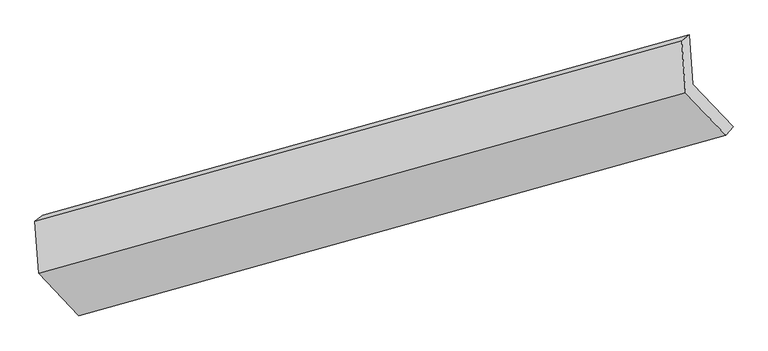
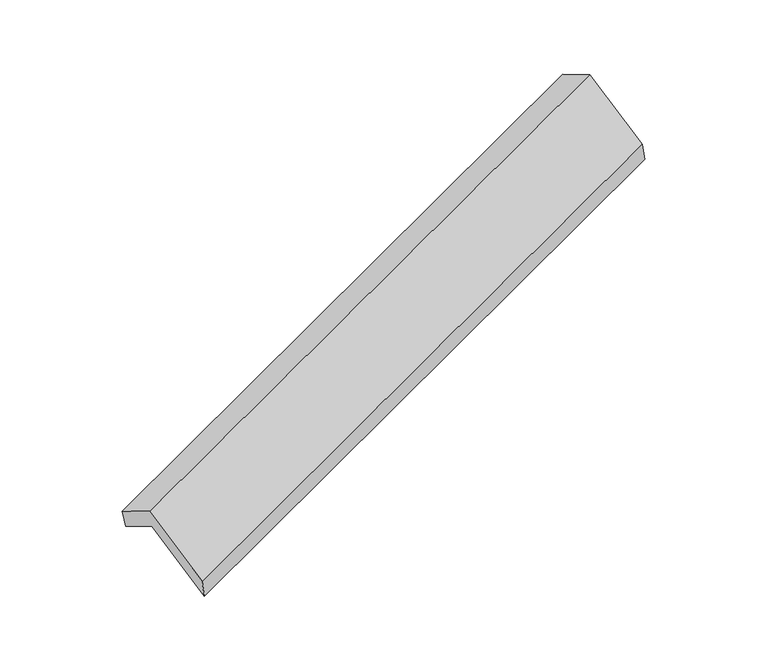
"""IFC4 building model written with IfcOpenShell, lengths in millimetres: proxy geometry."""

from ifc_helpers import new_model, si_unit, origin, place, context, project, spatial, faceted_brep, source, transform, mapped, element, save


def generic_models_ff62e24f(model_context):
    return source(origin(), model_context, "Body", "Brep", [
        faceted_brep([(-5103.9067247, -2106.4409909, 1291.1216952), (-5127.8347966, -1772.1610768, 1098.7592992), (-756.1101301, -552.2743021, 2674.8298341), (-732.1820583, -886.5542163, 2867.1922301), (-5179.5241666, -1810.0280257, 1272.3600553), (-807.7995002, -590.1412511, 2848.4305902), (-5154.3576396, -2161.6094049, 1474.6786322), (-782.6329731, -941.7226303, 3050.7491671), (-4883.0585839, -2449.4554224, 940.7239331), (-511.3339174, -1229.5686477, 2516.794468), (-4832.607669, -2394.2870084, 757.1669962), (-460.8830026, -1174.4002338, 2333.2375311)], [[[0, 1, 2, 3]], [[1, 4, 5, 2]], [[4, 6, 7, 5]], [[6, 8, 9, 7]], [[8, 10, 11, 9]], [[10, 0, 3, 11]], [[9, 11, 3, 2, 5, 7]], [[0, 10, 8, 6, 4, 1]]]),
    ])


if __name__ == "__main__":
    model = new_model("IFC4")
    model_context = context("Model", 3, world=origin())
    ifc_project = project(units=[si_unit("LENGTHUNIT", "METRE", prefix="MILLI")], contexts=[model_context])
    site = spatial("IfcSite", under=ifc_project)
    building = spatial("IfcBuilding", under=site)
    placement = place(None, origin())
    generic_models_shape = generic_models_ff62e24f(model_context)
    element("IfcBuildingElementProxy", 1, Name="Generic Models", at=placement, inside=building, context=model_context, shape_type="MappedRepresentation", body=[
        mapped(generic_models_shape, transform((0.0, 0.0, 0.0), x_axis=(1.0, 0.0, 0.0), y_axis=(0.0, 1.0, 0.0), z_axis=(0.0, 0.0, 1.0))),
    ])
    save(model, "model.ifc")
